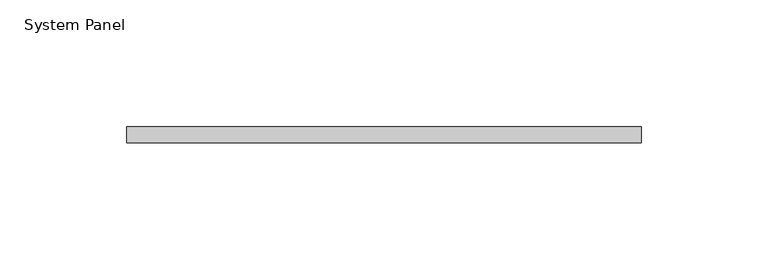
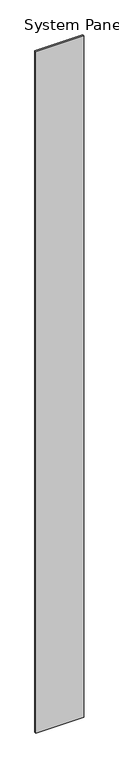
"""IFC4 building model written with IfcOpenShell, lengths in millimetres: plate geometry, System Panel."""

from ifc_helpers import new_model, si_unit, origin, origin_with_axes, place, context, project, spatial, polyline, outline, extrude, source, transform, mapped, element, save


def system_panel_9dfab878(model_context):
    return source(origin(), model_context, "Body", "SweptSolid", [
        extrude(outline(polyline([(101.6, -6.35), (-101.6, -6.35), (-101.6, 0.0), (101.6, 0.0), (101.6, -6.35)])), origin_with_axes(), (0.0, 0.0, 1.0), 3048.0),
    ])


if __name__ == "__main__":
    model = new_model("IFC4")
    model_context = context("Model", 3, world=origin())
    ifc_project = project(units=[si_unit("LENGTHUNIT", "METRE", prefix="MILLI")], contexts=[model_context])
    site = spatial("IfcSite", under=ifc_project)
    building = spatial("IfcBuilding", under=site)
    placement = place(None, origin())
    system_panel_shape = system_panel_9dfab878(model_context)
    element("IfcPlate", 1, ObjectType="System Panel", at=placement, inside=building, context=model_context, shape_type="MappedRepresentation", body=[
        mapped(system_panel_shape, transform((0.0, 0.0, 0.0), x_axis=(1.0, 0.0, 0.0), y_axis=(0.0, 1.0, 0.0), z_axis=(0.0, 0.0, 1.0))),
    ])
    save(model, "model.ifc")
